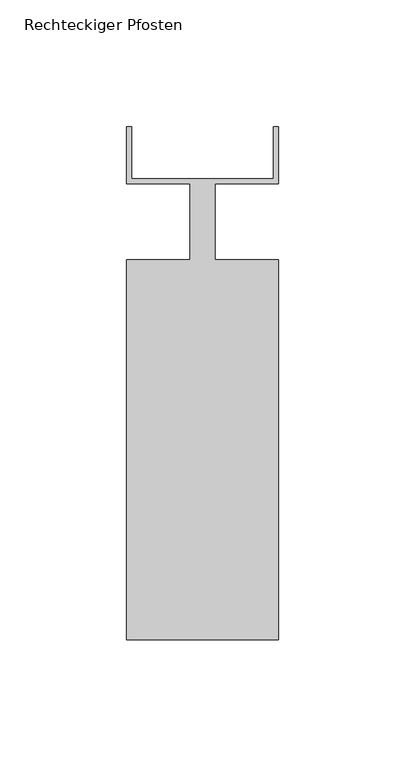
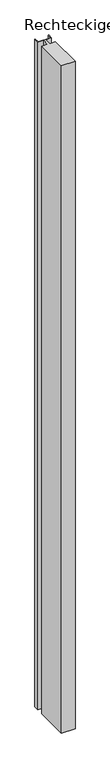
"""IFC4 building model written with IfcOpenShell, lengths in millimetres: member geometry, Rechteckiger Pfosten."""

from ifc_helpers import new_model, si_unit, frame, origin, place, context, project, spatial, polyline, outline, extrude, source, transform, mapped, element, save


def rechteckiger_pfosten_544c59be(model_context):
    return source(origin(), model_context, "Body", "SweptSolid", [
        extrude(outline(polyline([(28.0, 37.5), (30.0, 37.5), (30.0, 15.0), (5.0, 15.0), (5.0, -15.0), (30.0, -15.0), (30.0, -165.0), (-30.0, -165.0), (-30.0, -15.0), (-5.0, -15.0), (-5.0, 15.0), (-30.0, 15.0), (-30.0, 37.5), (-28.0, 37.5), (-28.0, 17.0), (28.0, 17.0), (28.0, 37.5)])), frame((0.0, 0.0, -3110.0), z_axis=(0.0, 0.0, 1.0), x_axis=(1.0, 0.0, 0.0)), (0.0, 0.0, 1.0), 3110.0),
    ])


if __name__ == "__main__":
    model = new_model("IFC4")
    model_context = context("Model", 3, world=origin())
    ifc_project = project(units=[si_unit("LENGTHUNIT", "METRE", prefix="MILLI")], contexts=[model_context])
    site = spatial("IfcSite", under=ifc_project)
    building = spatial("IfcBuilding", under=site)
    placement = place(None, origin())
    rechteckiger_pfosten_shape = rechteckiger_pfosten_544c59be(model_context)
    element("IfcMember", 1, ObjectType="Rechteckiger Pfosten", at=placement, inside=building, context=model_context, shape_type="MappedRepresentation", body=[
        mapped(rechteckiger_pfosten_shape, transform((0.0, 0.0, 0.0), x_axis=(1.0, 0.0, 0.0), y_axis=(0.0, 1.0, 0.0), z_axis=(0.0, 0.0, 1.0))),
    ])
    save(model, "model.ifc")
